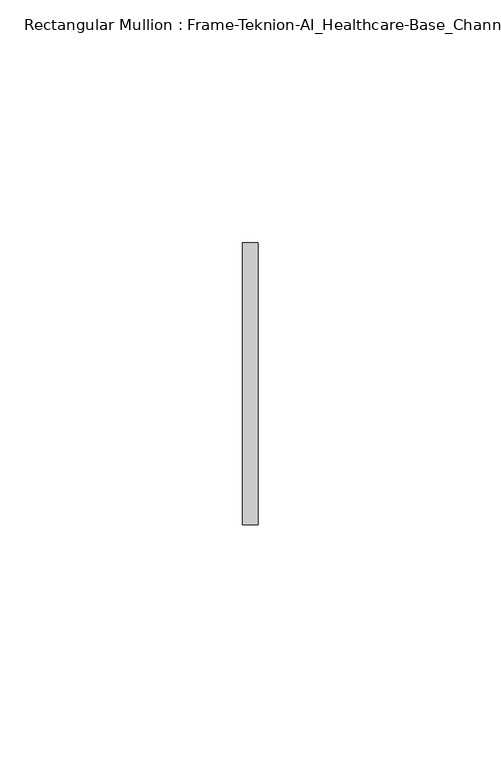
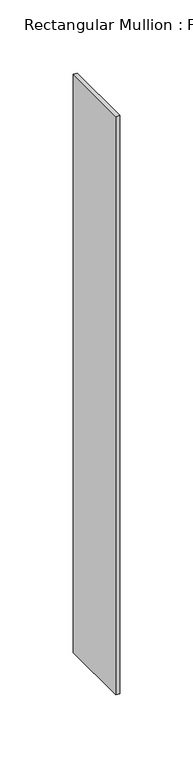
"""IFC4 building model written with IfcOpenShell, lengths in millimetres: member geometry, Rectangular Mullion : Frame-Teknion-AI_Healthcare-Base_Channel."""

from ifc_helpers import new_model, si_unit, frame, origin, place, context, project, spatial, polyline, outline, extrude, source, transform, mapped, element, save


def rectangular_mullion_frame_teknion_ai_healthcare_base_channel_76ae5408(model_context):
    return source(origin(), model_context, "Body", "SweptSolid", [
        extrude(outline(polyline([(0.0, 29.0214844), (0.0, -29.0214844), (-3.175, -29.0214844), (-3.175, 29.0214844), (0.0, 29.0214844)])), frame((0.0, 0.0, -482.6), z_axis=(0.0, 0.0, 1.0), x_axis=(1.0, 0.0, 0.0)), (0.0, 0.0, 1.0), 482.6),
    ])


if __name__ == "__main__":
    model = new_model("IFC4")
    model_context = context("Model", 3, world=origin())
    ifc_project = project(units=[si_unit("LENGTHUNIT", "METRE", prefix="MILLI")], contexts=[model_context])
    site = spatial("IfcSite", under=ifc_project)
    building = spatial("IfcBuilding", under=site)
    placement = place(None, origin())
    rectangular_mullion_frame_teknion_ai_healthcare_base_channel_shape = rectangular_mullion_frame_teknion_ai_healthcare_base_channel_76ae5408(model_context)
    element("IfcMember", 1, ObjectType="Rectangular Mullion : Frame-Teknion-AI_Healthcare-Base_Channel", at=placement, inside=building, context=model_context, shape_type="MappedRepresentation", body=[
        mapped(rectangular_mullion_frame_teknion_ai_healthcare_base_channel_shape, transform((0.0, 0.0, 0.0), x_axis=(1.0, 0.0, 0.0), y_axis=(0.0, 1.0, 0.0), z_axis=(0.0, 0.0, 1.0))),
    ])
    save(model, "model.ifc")
